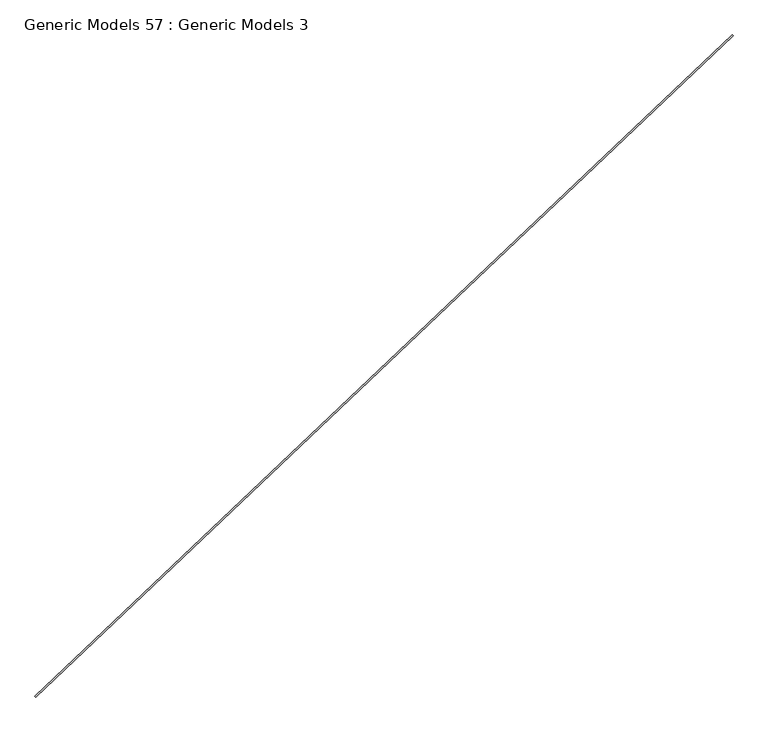
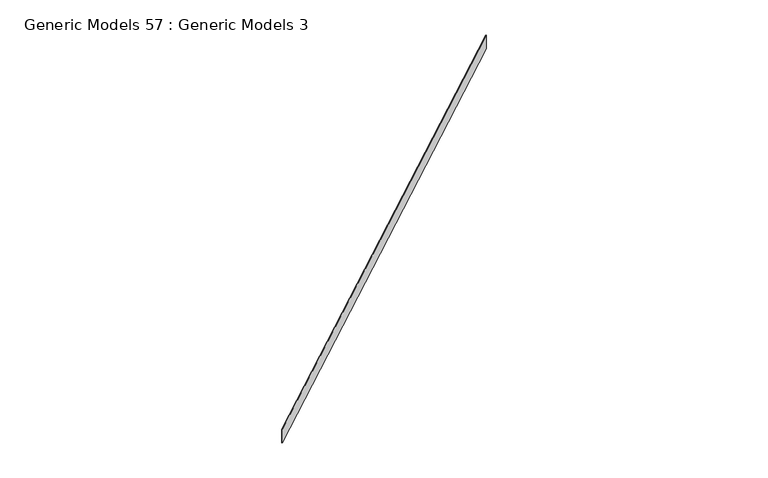
"""IFC4 building model written with IfcOpenShell, lengths in millimetres: proxy geometry, Generic Models 57 : Generic Models 3."""

from ifc_helpers import new_model, si_unit, frame, origin, place, context, project, spatial, polyline, outline, extrude, source, transform, mapped, element, save


def generic_models_57_generic_models_3_67761909(model_context):
    return source(origin(), model_context, "Body", "SweptSolid", [
        extrude(outline(polyline([(116017.430304, 53002.4861776), (116028.3579329, 52990.9708594), (103290.1130066, 40902.8277823), (103279.1853777, 40914.3431004), (116017.430304, 53002.4861776)])), frame((0.0, 0.0, 17957.8), z_axis=(0.0, 0.0, 1.0), x_axis=(1.0, 0.0, 0.0)), (0.0, 0.0, 1.0), 406.4),
    ])


if __name__ == "__main__":
    model = new_model("IFC4")
    model_context = context("Model", 3, world=origin())
    ifc_project = project(units=[si_unit("LENGTHUNIT", "METRE", prefix="MILLI")], contexts=[model_context])
    site = spatial("IfcSite", under=ifc_project)
    building = spatial("IfcBuilding", under=site)
    placement = place(None, origin())
    generic_models_57_generic_models_3_shape = generic_models_57_generic_models_3_67761909(model_context)
    element("IfcBuildingElementProxy", 1, Name="Generic Models 57 : Generic Models 3", ObjectType="Generic Models 57 : Generic Models 3", at=placement, inside=building, context=model_context, shape_type="MappedRepresentation", body=[
        mapped(generic_models_57_generic_models_3_shape, transform((0.0, 0.0, 0.0), x_axis=(1.0, 0.0, 0.0), y_axis=(0.0, 1.0, 0.0), z_axis=(0.0, 0.0, 1.0))),
    ])
    save(model, "model.ifc")
